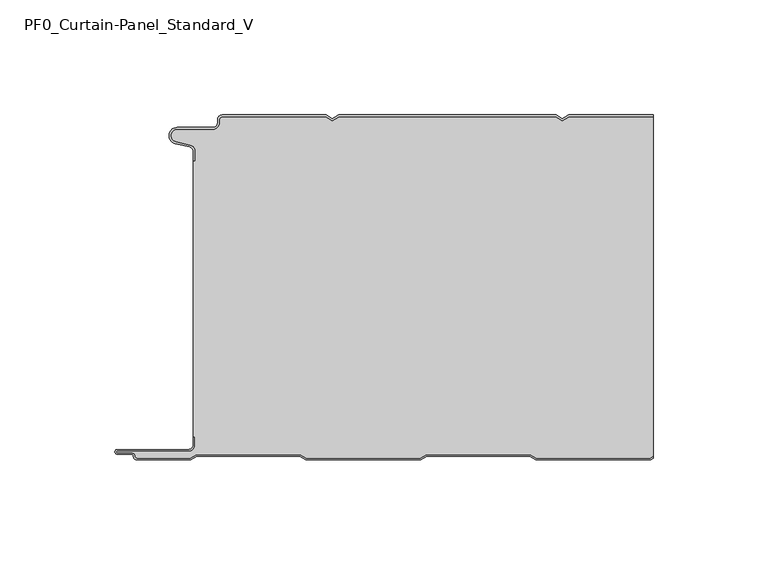
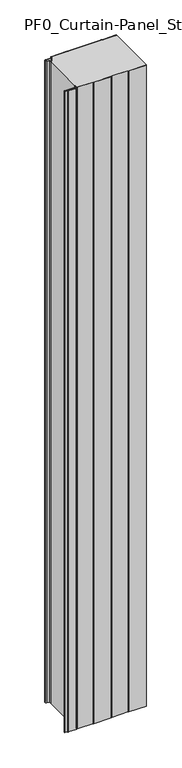
"""IFC4 building model written with IfcOpenShell, lengths in millimetres: plate geometry, PF0_Curtain-Panel_Standard_V."""

from ifc_helpers import new_model, si_unit, point, frame_2d, origin, origin_with_axes, place, context, project, spatial, polyline, circle_curve, trimmed, segment, composite_curve, outline, extrude, source, transform, mapped, element, save


def pf0_curtain_panel_standard_v_67d43464(model_context):
    return source(origin(), model_context, "Body", "SweptSolid", [
        extrude(outline(composite_curve([segment(trimmed(circle_curve(frame_2d((-102.0119739, -15.878557)), 2.0), [point((-100.0119739, -15.878557))], [point((-101.5620718, -13.9298169))], True, "CARTESIAN"), True, "CONTINUOUS"), segment(polyline([(-101.5620718, -13.9298169), (-107.7217978, -12.507732)]), True, "CONTINUOUS"), segment(trimmed(circle_curve(frame_2d((-106.9119739, -9.0)), 3.6), [point((-107.7217978, -12.507732))], [point((-106.9119739, -5.4))], False, "CARTESIAN"), True, "CONTINUOUS"), segment(polyline([(-106.9119739, -5.4), (-91.4119739, -5.4)]), True, "CONTINUOUS"), segment(trimmed(circle_curve(frame_2d((-91.4119739, -3.4)), 2.0), [point((-91.4119739, -5.4))], [point((-89.4119739, -3.4))], True, "CARTESIAN"), True, "CONTINUOUS"), segment(polyline([(-89.4119739, -3.4), (-89.4119739, -2.0)]), True, "CONTINUOUS"), segment(trimmed(circle_curve(frame_2d((-87.4119739, -2.0)), 2.0), [point((-89.4119739, -2.0))], [point((-87.4119739, 0.0))], False, "CARTESIAN"), True, "CONTINUOUS"), segment(polyline([(-87.4119739, 0.0), (-42.1119734, 0.0), (-39.4119739, -1.5588455), (-36.7119745, 0.0), (57.8880266, 0.0), (60.5880261, -1.5588455), (63.2880255, 0.0), (100.0119739, 0.0), (100.0119739, -0.8), (63.5023849, -0.8), (60.5880261, -2.482606), (57.6736672, -0.8), (-36.4976151, -0.8), (-39.4119739, -2.482606), (-42.3263328, -0.8), (-87.4119739, -0.8)]), True, "CONTINUOUS"), segment(trimmed(circle_curve(frame_2d((-87.4119739, -2.0)), 1.2), [point((-87.4119739, -0.8))], [point((-88.6119739, -2.0))], True, "CARTESIAN"), True, "CONTINUOUS"), segment(polyline([(-88.6119739, -2.0), (-88.6119739, -3.4)]), True, "CONTINUOUS"), segment(trimmed(circle_curve(frame_2d((-91.4119739, -3.4)), 2.8), [point((-88.6119739, -3.4))], [point((-91.4119739, -6.2))], False, "CARTESIAN"), True, "CONTINUOUS"), segment(polyline([(-91.4119739, -6.2), (-106.9119739, -6.2)]), True, "CONTINUOUS"), segment(trimmed(circle_curve(frame_2d((-106.9119739, -9.0)), 2.8), [point((-106.9119739, -6.2))], [point((-107.541837, -11.7282362))], True, "CARTESIAN"), True, "CONTINUOUS"), segment(polyline([(-107.541837, -11.7282362), (-101.3821109, -13.150321)]), True, "CONTINUOUS"), segment(trimmed(circle_curve(frame_2d((-102.0119739, -15.878557)), 2.8), [point((-101.3821109, -13.150321))], [point((-99.2119739, -15.878557))], False, "CARTESIAN"), True, "CONTINUOUS"), segment(polyline([(-99.2119739, -15.878557), (-99.2119739, -20.0), (-100.0119739, -20.0), (-100.0119739, -15.878557)]), True, "CONTINUOUS")], self_intersect=False)), origin_with_axes(), (0.0, 0.0, 1.0), 1945.7507136),
        extrude(outline(composite_curve([segment(polyline([(-99.2119739, -140.0), (-100.0119739, -140.0), (-100.0119739, -20.0), (-99.2119739, -20.0), (-99.2119739, -15.878557)]), True, "CONTINUOUS"), segment(trimmed(circle_curve(frame_2d((-102.0119739, -15.878557)), 2.8), [point((-99.2119739, -15.878557))], [point((-101.3821109, -13.1503208))], True, "CARTESIAN"), True, "CONTINUOUS"), segment(polyline([(-101.3821109, -13.1503208), (-107.5418369, -11.7282362)]), True, "CONTINUOUS"), segment(trimmed(circle_curve(frame_2d((-106.9119739, -9.0)), 2.8), [point((-107.5418369, -11.7282362))], [point((-106.9119739, -6.2))], False, "CARTESIAN"), True, "CONTINUOUS"), segment(polyline([(-106.9119739, -6.2), (-91.4119739, -6.2)]), True, "CONTINUOUS"), segment(trimmed(circle_curve(frame_2d((-91.4119739, -3.4)), 2.8), [point((-91.4119739, -6.2))], [point((-88.6119739, -3.4))], True, "CARTESIAN"), True, "CONTINUOUS"), segment(polyline([(-88.6119739, -3.4), (-88.6119739, -2.0)]), True, "CONTINUOUS"), segment(trimmed(circle_curve(frame_2d((-87.4119739, -2.0)), 1.2), [point((-88.6119739, -2.0))], [point((-87.4119739, -0.8))], False, "CARTESIAN"), True, "CONTINUOUS"), segment(polyline([(-87.4119739, -0.8), (-42.3263328, -0.8), (-39.4119739, -2.482606), (-36.4976151, -0.8), (57.6736672, -0.8), (60.5880261, -2.482606), (63.5023849, -0.8), (100.0119739, -0.8), (100.0119739, -148.4878024), (98.7784109, -149.2), (49.2032822, -149.2), (46.6052046, -147.7), (1.3764885, -147.7), (-1.2215891, -149.2), (-50.7967178, -149.2), (-53.3947954, -147.7), (-98.6235115, -147.7), (-101.2215891, -149.2), (-124.4119739, -149.2)]), True, "CONTINUOUS"), segment(trimmed(circle_curve(frame_2d((-124.4119739, -148.4)), 0.8), [point((-124.4119739, -149.2))], [point((-125.2119739, -148.4))], False, "CARTESIAN"), True, "CONTINUOUS"), segment(trimmed(circle_curve(frame_2d((-126.9119739, -148.6133333)), 1.7133333), [point((-125.2119739, -148.4))], [point((-126.9119739, -146.9))], True, "CARTESIAN"), True, "CONTINUOUS"), segment(polyline([(-126.9119739, -146.9), (-132.8820051, -146.9)]), True, "CONTINUOUS"), segment(trimmed(circle_curve(frame_2d((-132.8820051, -146.6)), 0.3), [point((-132.8820051, -146.9))], [point((-132.8820051, -146.3))], False, "CARTESIAN"), True, "CONTINUOUS"), segment(polyline([(-132.8820051, -146.3), (-102.0119739, -146.3)]), True, "CONTINUOUS"), segment(trimmed(circle_curve(frame_2d((-102.0119739, -143.5)), 2.8), [point((-102.0119739, -146.3))], [point((-99.2119739, -143.5))], True, "CARTESIAN"), True, "CONTINUOUS"), segment(polyline([(-99.2119739, -143.5), (-99.2119739, -140.0)]), True, "CONTINUOUS")], self_intersect=False)), origin_with_axes(), (0.0, 0.0, 1.0), 1945.7507136),
        extrude(outline(composite_curve([segment(polyline([(-100.0119739, -140.0), (-99.2119739, -140.0), (-99.2119739, -143.5)]), True, "CONTINUOUS"), segment(trimmed(circle_curve(frame_2d((-102.0119739, -143.5)), 2.8), [point((-99.2119739, -143.5))], [point((-102.0119739, -146.3))], False, "CARTESIAN"), True, "CONTINUOUS"), segment(polyline([(-102.0119739, -146.3), (-132.8820051, -146.3)]), True, "CONTINUOUS"), segment(trimmed(circle_curve(frame_2d((-132.8820051, -146.6)), 0.3), [point((-132.8820051, -146.3))], [point((-132.8820051, -146.9))], True, "CARTESIAN"), True, "CONTINUOUS"), segment(polyline([(-132.8820051, -146.9), (-126.9119739, -146.9)]), True, "CONTINUOUS"), segment(trimmed(circle_curve(frame_2d((-126.9119739, -148.6133333)), 1.7133333), [point((-126.9119739, -146.9))], [point((-125.2119739, -148.4))], False, "CARTESIAN"), True, "CONTINUOUS"), segment(trimmed(circle_curve(frame_2d((-124.4119739, -148.4)), 0.8), [point((-125.2119739, -148.4))], [point((-124.4119739, -149.2))], True, "CARTESIAN"), True, "CONTINUOUS"), segment(polyline([(-124.4119739, -149.2), (-101.2215891, -149.2), (-98.6235115, -147.7), (-53.3947954, -147.7), (-50.7967178, -149.2), (-1.2215891, -149.2), (1.3764885, -147.7), (46.6052046, -147.7), (49.2032822, -149.2), (98.7784109, -149.2), (100.0119739, -148.4878024), (100.0119739, -149.4115627), (98.9927701, -150.0), (48.988923, -150.0), (46.3908454, -148.5), (1.5908477, -148.5), (-1.0072299, -150.0), (-51.011077, -150.0), (-53.6091546, -148.5), (-98.4091523, -148.5), (-101.0072299, -150.0), (-124.4119739, -150.0)]), True, "CONTINUOUS"), segment(trimmed(circle_curve(frame_2d((-124.4119739, -148.4)), 1.6), [point((-124.4119739, -150.0))], [point((-126.0119739, -148.4))], False, "CARTESIAN"), True, "CONTINUOUS"), segment(trimmed(circle_curve(frame_2d((-126.9119739, -148.4)), 0.9), [point((-126.0119739, -148.4))], [point((-126.9119739, -147.5))], True, "CARTESIAN"), True, "CONTINUOUS"), segment(polyline([(-126.9119739, -147.5), (-133.0119739, -147.5)]), True, "CONTINUOUS"), segment(trimmed(circle_curve(frame_2d((-133.0119739, -146.5)), 1.0), [point((-133.0119739, -147.5))], [point((-133.0119739, -145.5))], False, "CARTESIAN"), True, "CONTINUOUS"), segment(polyline([(-133.0119739, -145.5), (-102.0119739, -145.5)]), True, "CONTINUOUS"), segment(trimmed(circle_curve(frame_2d((-102.0119739, -143.5)), 2.0), [point((-102.0119739, -145.5))], [point((-100.0119739, -143.5))], True, "CARTESIAN"), True, "CONTINUOUS"), segment(polyline([(-100.0119739, -143.5), (-100.0119739, -140.0)]), True, "CONTINUOUS")], self_intersect=False)), origin_with_axes(), (0.0, 0.0, 1.0), 1945.7507136),
    ])


if __name__ == "__main__":
    model = new_model("IFC4")
    model_context = context("Model", 3, world=origin())
    ifc_project = project(units=[si_unit("LENGTHUNIT", "METRE", prefix="MILLI")], contexts=[model_context])
    site = spatial("IfcSite", under=ifc_project)
    building = spatial("IfcBuilding", under=site)
    placement = place(None, origin())
    pf0_curtain_panel_standard_v_shape = pf0_curtain_panel_standard_v_67d43464(model_context)
    element("IfcPlate", 1, ObjectType="PF0_Curtain-Panel_Standard_V", at=placement, inside=building, context=model_context, shape_type="MappedRepresentation", body=[
        mapped(pf0_curtain_panel_standard_v_shape, transform((0.0, 0.0, 0.0), x_axis=(1.0, 0.0, 0.0), y_axis=(0.0, 1.0, 0.0), z_axis=(0.0, 0.0, 1.0))),
    ])
    save(model, "model.ifc")
